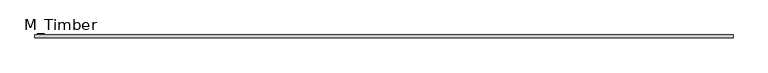
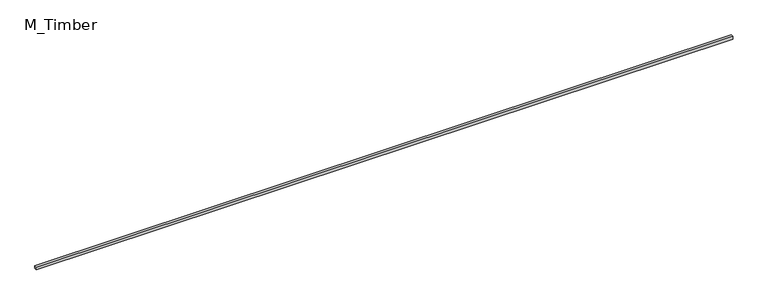
"""IFC4 building model written with IfcOpenShell, lengths in millimetres: beam geometry, M_Timber."""

from ifc_helpers import new_model, si_unit, frame, origin, place, context, project, spatial, polyline, outline, extrude, source, transform, mapped, element, save


def m_timber_e65672e5(model_context):
    return source(origin(), model_context, "Body", "SweptSolid", [
        extrude(outline(polyline([(5174.2561731, 20.0), (5174.2561731, -20.0), (-5174.2561731, -20.0), (-5174.2561731, 20.0), (5174.2561731, 20.0)])), frame((0.0, 0.0, -20.0), z_axis=(0.0, 0.0, 1.0), x_axis=(1.0, 0.0, 0.0)), (0.0, 0.0, 1.0), 40.0),
    ])


if __name__ == "__main__":
    model = new_model("IFC4")
    model_context = context("Model", 3, world=origin())
    ifc_project = project(units=[si_unit("LENGTHUNIT", "METRE", prefix="MILLI")], contexts=[model_context])
    site = spatial("IfcSite", under=ifc_project)
    building = spatial("IfcBuilding", under=site)
    placement = place(None, origin())
    m_timber_shape = m_timber_e65672e5(model_context)
    element("IfcBeam", 1, ObjectType="M_Timber", at=placement, inside=building, context=model_context, shape_type="MappedRepresentation", body=[
        mapped(m_timber_shape, transform((0.0, 0.0, 0.0), x_axis=(1.0, 0.0, 0.0), y_axis=(0.0, 1.0, 0.0), z_axis=(0.0, 0.0, 1.0))),
    ])
    save(model, "model.ifc")
